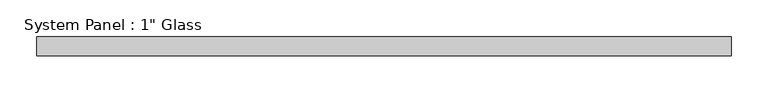
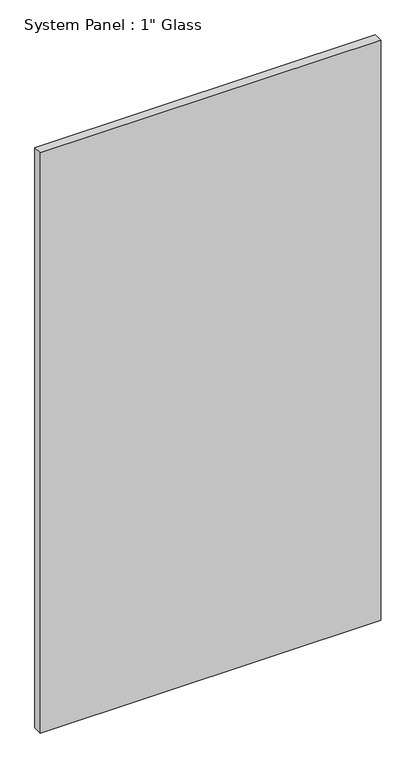
"""IFC4 building model written with IfcOpenShell, lengths in millimetres: plate geometry."""

from ifc_helpers import new_model, si_unit, origin, origin_with_axes, place, context, project, spatial, polyline, outline, extrude, source, transform, mapped, element, save


def plate_5e49545f(model_context):
    return source(origin(), model_context, "Body", "SweptSolid", [
        extrude(outline(polyline([(470.5784003, -12.7), (-470.5784003, -12.7), (-470.5784003, 12.7), (470.5784003, 12.7), (470.5784003, -12.7)])), origin_with_axes(), (0.0, 0.0, 1.0), 1695.45),
    ])


if __name__ == "__main__":
    model = new_model("IFC4")
    model_context = context("Model", 3, world=origin())
    ifc_project = project(units=[si_unit("LENGTHUNIT", "METRE", prefix="MILLI")], contexts=[model_context])
    site = spatial("IfcSite", under=ifc_project)
    building = spatial("IfcBuilding", under=site)
    placement = place(None, origin())
    plate_shape = plate_5e49545f(model_context)
    element("IfcPlate", 1, ObjectType="System Panel : 1\" Glass", at=placement, inside=building, context=model_context, shape_type="MappedRepresentation", body=[
        mapped(plate_shape, transform((0.0, 0.0, 0.0), x_axis=(1.0, 0.0, 0.0), y_axis=(0.0, 1.0, 0.0), z_axis=(0.0, 0.0, 1.0))),
    ])
    save(model, "model.ifc")
